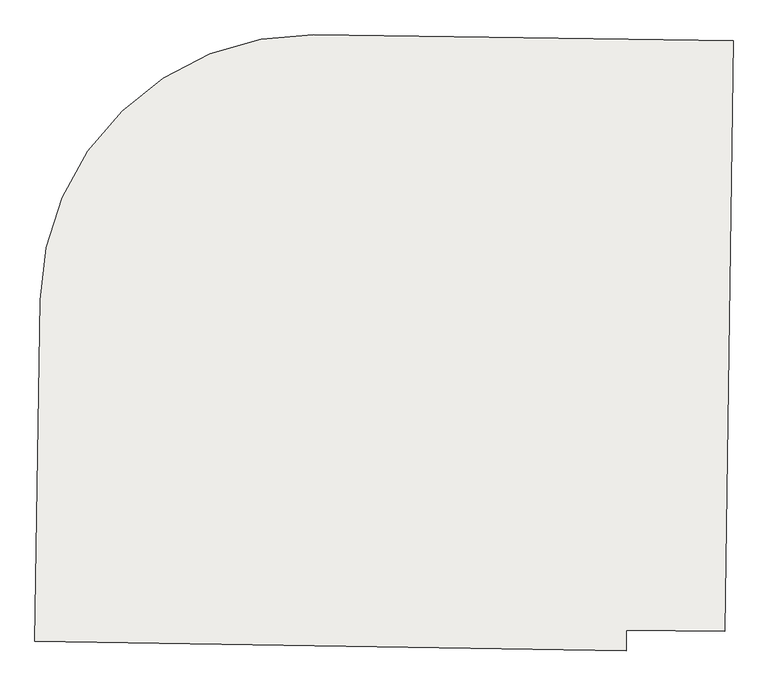
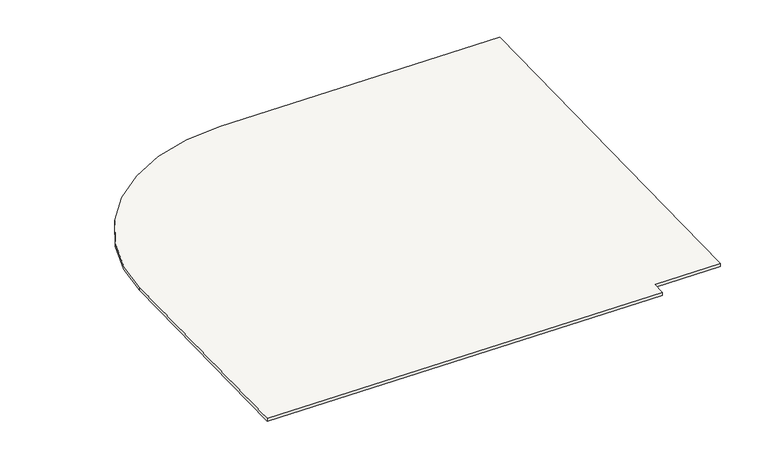
"""IFC4 building model written with IfcOpenShell, lengths in millimetres: slab geometry."""

from ifc_helpers import new_model, si_unit, point, frame, frame_2d, origin, place, context, project, spatial, polyline, circle_curve, trimmed, segment, composite_curve, outline, extrude, source, transform, mapped, element, save


def slab_593081bc(model_context):
    return source(origin(), model_context, "Body", "SweptSolid", [
        extrude(outline(composite_curve([segment(polyline([(-140142.9494952, 85772.5013784), (-140143.0173499, 85767.6419613), (-140542.494112, 85773.2200716), (-140543.7947426, 85689.8155192), (-142943.5029794, 85727.2371436), (-142921.8874878, 87113.3574453)]), True, "CONTINUOUS"), segment(trimmed(circle_curve(frame_2d((-141827.0206047, 87096.2838291)), 1095.0), [point((-142921.8874878, 87113.3574453))], [point((-141811.7320172, 88191.1770929))], False, "CARTESIAN"), True, "CONTINUOUS"), segment(polyline([(-141811.7320172, 88191.1770929), (-140109.5081171, 88167.4080189), (-140142.9494952, 85772.5013784)]), True, "CONTINUOUS")], self_intersect=False)), frame((0.0, 0.0, 3263.5), z_axis=(0.0, 0.0, 1.0), x_axis=(1.0, 0.0, 0.0)), (0.0, 0.0, 1.0), 20.0),
    ])


if __name__ == "__main__":
    model = new_model("IFC4")
    model_context = context("Model", 3, world=origin())
    ifc_project = project(units=[si_unit("LENGTHUNIT", "METRE", prefix="MILLI")], contexts=[model_context])
    site = spatial("IfcSite", under=ifc_project)
    building = spatial("IfcBuilding", under=site)
    placement = place(None, origin())
    slab_shape = slab_593081bc(model_context)
    element("IfcSlab", 1, at=placement, inside=building, context=model_context, shape_type="MappedRepresentation", body=[
        mapped(slab_shape, transform((0.0, 0.0, 0.0), x_axis=(1.0, 0.0, 0.0), y_axis=(0.0, 1.0, 0.0), z_axis=(0.0, 0.0, 1.0))),
    ])
    save(model, "model.ifc")
